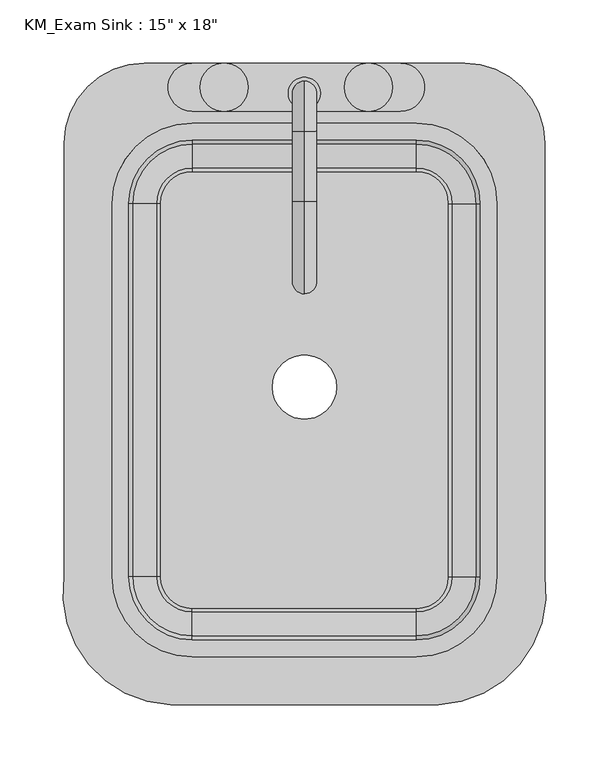
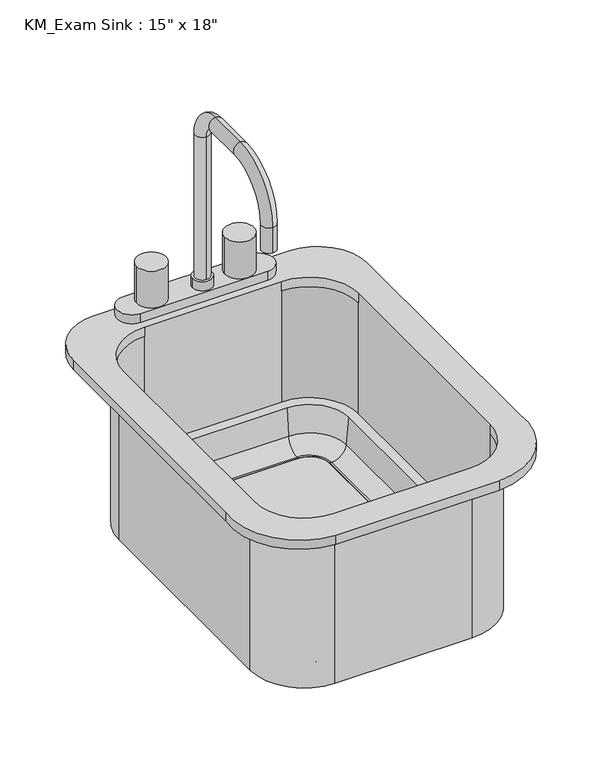
"""IFC4 building model written with IfcOpenShell, lengths in millimetres: flow terminal geometry."""

from ifc_helpers import new_model, si_unit, point, frame, frame_2d, origin, place, context, project, spatial, polyline, circle_curve, ellipse_curve, trimmed, segment, composite_curve, outline, extrude, source, transform, mapped, element, save
from ifc_brep_helpers import plane_surface, cylinder_surface, revolved_surface, advanced_brep


def flow_terminal_5d9b24d3(model_context):
    return source(origin(), model_context, "Body", "SolidModel", [
        advanced_brep(
        [(-90.4606923, -302.4545989, 876.3), (121.8391735, -302.4545989, 876.3), (206.1892406, -200.8545989, 876.3), (206.1892406, 142.0454011, 876.3), (142.6892406, 205.5454011, 876.3), (-111.3107593, 205.5454011, 876.3), (-174.8107593, 142.0454011, 876.3), (-174.8107593, -200.8545982, 876.3), (104.5892406, 157.9204011, 876.3), (168.0892406, 94.4204011, 876.3), (168.0892406, -200.8545989, 876.3), (104.5892406, -264.3545989, 876.3), (-73.2107594, -264.3545989, 876.3), (-136.7107594, -200.8545989, 876.3), (-136.7107594, 94.4204011, 876.3), (-73.2107594, 157.9204011, 876.3), (-90.4606923, -302.4545989, 863.6), (-174.8107593, -200.8545982, 863.6), (-174.8107593, 142.0454011, 863.6), (-111.3107593, 205.5454011, 863.6), (142.6892406, 205.5454011, 863.6), (206.1892406, 142.0454011, 863.6), (206.1892406, -200.8545989, 863.6), (121.8391735, -302.4545989, 863.6), (174.4392406, 94.4204011, 863.6), (104.5892406, 164.2704011, 863.6), (-73.2107594, 164.2704011, 863.6), (-143.0607594, 94.4204011, 863.6), (-143.0607594, -200.8545989, 863.6), (-73.2107594, -270.7045989, 863.6), (104.5892406, -270.7045989, 863.6), (174.4392406, -200.8545989, 863.6), (104.5892406, 157.9204011, 863.6), (168.0892406, 94.4204011, 863.6), (168.0892406, 94.4204011, 711.2), (168.0892406, -200.8545989, 711.2), (168.0892406, -200.8545989, 863.6), (104.5892406, -264.3545989, 863.6), (104.5892406, -264.3545989, 711.2), (-73.2107594, -264.3545989, 711.2), (-73.2107594, -264.3545989, 863.6), (-136.7107594, -200.8545989, 863.6), (-136.7107594, -200.8545989, 711.2), (-136.7107594, 94.4204011, 711.2), (-136.7107594, 94.4204011, 863.6), (-73.2107594, 157.9204011, 863.6), (-73.2107594, 157.9204011, 711.2), (104.5892406, 157.9204011, 711.2), (174.4392406, 94.4204011, 647.7), (104.5892406, 164.2704011, 647.7), (129.9892406, 94.4204011, 647.7), (104.5892406, 119.8204011, 647.7), (129.9892406, 94.4204011, 657.225), (104.5892406, 119.8204011, 657.225), (132.5776588, 94.4204011, 657.225), (104.5892406, 122.4088193, 657.225), (151.5551678, 94.4204011, 674.6146831), (104.5892406, 141.3863283, 674.6146831), (154.7559682, 94.4204011, 711.2), (104.5892406, 144.5871288, 711.2), (174.4392406, -200.8545989, 647.7), (129.9892406, -200.8545989, 647.7), (129.9892406, -200.8545989, 657.225), (132.5776588, -200.8545989, 657.225), (151.5551678, -200.8545989, 674.6146831), (154.7559682, -200.8545989, 711.2), (104.5892406, -270.7045989, 647.7), (104.5892406, -226.2545989, 647.7), (104.5892406, -226.2545989, 657.225), (104.5892406, -228.8430171, 657.225), (104.5892406, -247.8205261, 674.6146831), (104.5892406, -251.0213266, 711.2), (-73.2107594, -270.7045989, 647.7), (-73.2107594, -226.2545989, 647.7), (-73.2107594, -226.2545989, 657.225), (-73.2107594, -228.8430171, 657.225), (-73.2107594, -247.8205261, 674.6146831), (-73.2107594, -251.0213266, 711.2), (-143.0607594, -200.8545989, 647.7), (-98.6107594, -200.8545989, 647.7), (-98.6107594, -200.8545989, 657.225), (-101.1991776, -200.8545989, 657.225), (-120.1766866, -200.8545989, 674.6146831), (-123.3774871, -200.8545989, 711.2), (-143.0607594, 94.4204011, 647.7), (-98.6107594, 94.4204011, 647.7), (-98.6107594, 94.4204011, 657.225), (-101.1991776, 94.4204011, 657.225), (-120.1766866, 94.4204011, 674.6146831), (-123.3774871, 94.4204011, 711.2), (-73.2107594, 164.2704011, 647.7), (-73.2107594, 119.8204011, 647.7), (-73.2107594, 119.8204011, 657.225), (-73.2107594, 122.4088193, 657.225), (-73.2107594, 141.3863283, 674.6146831), (-73.2107594, 144.5871288, 711.2)],
        [
            (0, 1),
            (1, 2, circle_curve(frame((118.0319557, -213.4793432, 876.3), z_axis=(0.0, 0.0, 1.0), x_axis=(1.0, 0.0, 0.0)), 89.0566732)),
            (2, 3),
            (3, 4, circle_curve(frame((142.6892406, 142.0454011, 876.3), z_axis=(0.0, 0.0, 1.0), x_axis=(1.0, 0.0, 0.0)), 63.5)),
            (4, 5),
            (5, 6, circle_curve(frame((-111.3107593, 142.0454011, 876.3), z_axis=(0.0, 0.0, 1.0), x_axis=(1.0, 0.0, 0.0)), 63.5)),
            (6, 7),
            (7, 0, circle_curve(frame((-86.6534746, -213.4793432, 876.3), z_axis=(0.0, 0.0, 1.0), x_axis=(1.0, 0.0, 0.0)), 89.0566732)),
            (8, 9, circle_curve(frame((104.5892406, 94.4204011, 876.3), z_axis=(0.0, 0.0, -1.0), x_axis=(1.0, 0.0, 0.0)), 63.5)),
            (9, 10),
            (10, 11, circle_curve(frame((104.5892406, -200.8545989, 876.3), z_axis=(0.0, 0.0, -1.0), x_axis=(1.0, 0.0, 0.0)), 63.5)),
            (11, 12),
            (12, 13, circle_curve(frame((-73.2107594, -200.8545989, 876.3), z_axis=(0.0, 0.0, -1.0), x_axis=(1.0, 0.0, 0.0)), 63.5)),
            (13, 14),
            (14, 15, circle_curve(frame((-73.2107594, 94.4204011, 876.3), z_axis=(0.0, 0.0, -1.0), x_axis=(1.0, 0.0, 0.0)), 63.5)),
            (15, 8),
            (16, 17, circle_curve(frame((-86.6534746, -213.4793432, 863.6), z_axis=(0.0, 0.0, -1.0), x_axis=(1.0, 0.0, 0.0)), 89.0566732)),
            (17, 18),
            (18, 19, circle_curve(frame((-111.3107593, 142.0454011, 863.6), z_axis=(0.0, 0.0, -1.0), x_axis=(1.0, 0.0, 0.0)), 63.5)),
            (19, 20),
            (20, 21, circle_curve(frame((142.6892406, 142.0454011, 863.6), z_axis=(0.0, 0.0, -1.0), x_axis=(1.0, 0.0, 0.0)), 63.5)),
            (21, 22),
            (22, 23, circle_curve(frame((118.0319557, -213.4793432, 863.6), z_axis=(0.0, 0.0, -1.0), x_axis=(1.0, 0.0, 0.0)), 89.0566732)),
            (23, 16),
            (24, 25, circle_curve(frame((104.5892406, 94.4204011, 863.6), z_axis=(0.0, 0.0, 1.0), x_axis=(0.0, 1.0, 0.0)), 69.85)),
            (25, 26),
            (26, 27, circle_curve(frame((-73.2107594, 94.4204011, 863.6), z_axis=(0.0, 0.0, 1.0), x_axis=(-1.0, 0.0, 0.0)), 69.85)),
            (27, 28),
            (28, 29, circle_curve(frame((-73.2107594, -200.8545989, 863.6), z_axis=(0.0, 0.0, 1.0), x_axis=(0.0, -1.0, 0.0)), 69.85)),
            (29, 30),
            (30, 31, circle_curve(frame((104.5892406, -200.8545989, 863.6), z_axis=(0.0, 0.0, 1.0), x_axis=(1.0, 0.0, 0.0)), 69.85)),
            (31, 24),
            (0, 16),
            (23, 1),
            (22, 2),
            (21, 3),
            (20, 4),
            (19, 5),
            (18, 6),
            (17, 7),
            (8, 32),
            (32, 33, circle_curve(frame((104.5892406, 94.4204011, 863.6), z_axis=(0.0, 0.0, -1.0), x_axis=(1.0, 0.0, 0.0)), 63.5)),
            (33, 9),
            (33, 34),
            (34, 35),
            (35, 36),
            (36, 10),
            (36, 37, circle_curve(frame((104.5892406, -200.8545989, 863.6), z_axis=(0.0, 0.0, -1.0), x_axis=(1.0, 0.0, 0.0)), 63.5)),
            (37, 11),
            (37, 38),
            (38, 39),
            (39, 40),
            (40, 12),
            (40, 41, circle_curve(frame((-73.2107594, -200.8545989, 863.6), z_axis=(0.0, 0.0, -1.0), x_axis=(1.0, 0.0, 0.0)), 63.5)),
            (41, 13),
            (41, 42),
            (42, 43),
            (43, 44),
            (44, 14),
            (44, 45, circle_curve(frame((-73.2107594, 94.4204011, 863.6), z_axis=(0.0, 0.0, -1.0), x_axis=(1.0, 0.0, 0.0)), 63.5)),
            (45, 15),
            (45, 46),
            (46, 47),
            (47, 32),
            (48, 49, circle_curve(frame((104.5892406, 94.4204011, 647.7), z_axis=(0.0, 0.0, 1.0), x_axis=(0.0, 1.0, 0.0)), 69.85)),
            (49, 25),
            (24, 48),
            (48, 50),
            (50, 51, circle_curve(frame((104.5892406, 94.4204011, 647.7), z_axis=(0.0, 0.0, 1.0), x_axis=(0.0, 1.0, 0.0)), 25.4)),
            (51, 49),
            (50, 52),
            (52, 53, circle_curve(frame((104.5892406, 94.4204011, 657.225), z_axis=(0.0, 0.0, 1.0), x_axis=(0.0, 1.0, 0.0)), 25.4)),
            (53, 51),
            (52, 54),
            (54, 55, circle_curve(frame((104.5892406, 94.4204011, 657.225), z_axis=(0.0, 0.0, 1.0), x_axis=(0.0, 1.0, 0.0)), 27.9884182)),
            (55, 53),
            (54, 56, circle_curve(frame((132.5776588, 94.4204011, 676.275), z_axis=(0.0, -1.0, 0.0), x_axis=(1.0, 0.0, 0.0)), 19.05)),
            (56, 57, circle_curve(frame((104.5892406, 94.4204011, 674.6146831), z_axis=(0.0, 0.0, 1.0), x_axis=(0.0, 1.0, 0.0)), 46.9659272)),
            (57, 55, circle_curve(frame((104.5892406, 122.4088193, 676.275), z_axis=(-1.0, 0.0, 0.0), x_axis=(0.0, 1.0, 0.0)), 19.05)),
            (56, 58),
            (58, 59, circle_curve(frame((104.5892406, 94.4204011, 711.2), z_axis=(0.0, 0.0, 1.0), x_axis=(0.0, 1.0, 0.0)), 50.1667277)),
            (59, 57),
            (31, 60),
            (60, 48),
            (60, 61),
            (61, 50),
            (61, 62),
            (62, 52),
            (62, 63),
            (63, 54),
            (63, 64, circle_curve(frame((132.5776588, -200.8545989, 676.275), z_axis=(0.0, -1.0, 0.0), x_axis=(1.0, 0.0, 0.0)), 19.05)),
            (64, 56),
            (64, 65),
            (65, 58),
            (30, 66),
            (66, 60, circle_curve(frame((104.5892406, -200.8545989, 647.7), z_axis=(0.0, 0.0, 1.0), x_axis=(1.0, 0.0, 0.0)), 69.85)),
            (66, 67),
            (67, 61, circle_curve(frame((104.5892406, -200.8545989, 647.7), z_axis=(0.0, 0.0, 1.0), x_axis=(1.0, 0.0, 0.0)), 25.4)),
            (67, 68),
            (68, 62, circle_curve(frame((104.5892406, -200.8545989, 657.225), z_axis=(0.0, 0.0, 1.0), x_axis=(1.0, 0.0, 0.0)), 25.4)),
            (68, 69),
            (69, 63, circle_curve(frame((104.5892406, -200.8545989, 657.225), z_axis=(0.0, 0.0, 1.0), x_axis=(1.0, 0.0, 0.0)), 27.9884182)),
            (69, 70, circle_curve(frame((104.5892406, -228.8430171, 676.275), z_axis=(-1.0, 0.0, 0.0), x_axis=(0.0, -1.0, 0.0)), 19.05)),
            (70, 64, circle_curve(frame((104.5892406, -200.8545989, 674.6146831), z_axis=(0.0, 0.0, 1.0), x_axis=(1.0, 0.0, 0.0)), 46.9659272)),
            (70, 71),
            (71, 65, circle_curve(frame((104.5892406, -200.8545989, 711.2), z_axis=(0.0, 0.0, 1.0), x_axis=(1.0, 0.0, 0.0)), 50.1667277)),
            (29, 72),
            (72, 66),
            (72, 73),
            (73, 67),
            (73, 74),
            (74, 68),
            (74, 75),
            (75, 69),
            (75, 76, circle_curve(frame((-73.2107594, -228.8430171, 676.275), z_axis=(-1.0, 0.0, 0.0), x_axis=(0.0, -1.0, 0.0)), 19.05)),
            (76, 70),
            (76, 77),
            (77, 71),
            (28, 78),
            (78, 72, circle_curve(frame((-73.2107594, -200.8545989, 647.7), z_axis=(0.0, 0.0, 1.0), x_axis=(0.0, -1.0, 0.0)), 69.85)),
            (78, 79),
            (79, 73, circle_curve(frame((-73.2107594, -200.8545989, 647.7), z_axis=(0.0, 0.0, 1.0), x_axis=(0.0, -1.0, 0.0)), 25.4)),
            (79, 80),
            (80, 74, circle_curve(frame((-73.2107594, -200.8545989, 657.225), z_axis=(0.0, 0.0, 1.0), x_axis=(0.0, -1.0, 0.0)), 25.4)),
            (80, 81),
            (81, 75, circle_curve(frame((-73.2107594, -200.8545989, 657.225), z_axis=(0.0, 0.0, 1.0), x_axis=(0.0, -1.0, 0.0)), 27.9884182)),
            (81, 82, circle_curve(frame((-101.1991776, -200.8545989, 676.275), z_axis=(0.0, 1.0, 0.0), x_axis=(-1.0, 0.0, 0.0)), 19.05)),
            (82, 76, circle_curve(frame((-73.2107594, -200.8545989, 674.6146831), z_axis=(0.0, 0.0, 1.0), x_axis=(0.0, -1.0, 0.0)), 46.9659272)),
            (82, 83),
            (83, 77, circle_curve(frame((-73.2107594, -200.8545989, 711.2), z_axis=(0.0, 0.0, 1.0), x_axis=(0.0, -1.0, 0.0)), 50.1667277)),
            (27, 84),
            (84, 78),
            (84, 85),
            (85, 79),
            (85, 86),
            (86, 80),
            (86, 87),
            (87, 81),
            (87, 88, circle_curve(frame((-101.1991776, 94.4204011, 676.275), z_axis=(0.0, 1.0, 0.0), x_axis=(-1.0, 0.0, 0.0)), 19.05)),
            (88, 82),
            (88, 89),
            (89, 83),
            (26, 90),
            (90, 84, circle_curve(frame((-73.2107594, 94.4204011, 647.7), z_axis=(0.0, 0.0, 1.0), x_axis=(-1.0, 0.0, 0.0)), 69.85)),
            (90, 91),
            (91, 85, circle_curve(frame((-73.2107594, 94.4204011, 647.7), z_axis=(0.0, 0.0, 1.0), x_axis=(-1.0, 0.0, 0.0)), 25.4)),
            (91, 92),
            (92, 86, circle_curve(frame((-73.2107594, 94.4204011, 657.225), z_axis=(0.0, 0.0, 1.0), x_axis=(-1.0, 0.0, 0.0)), 25.4)),
            (92, 93),
            (93, 87, circle_curve(frame((-73.2107594, 94.4204011, 657.225), z_axis=(0.0, 0.0, 1.0), x_axis=(-1.0, 0.0, 0.0)), 27.9884182)),
            (93, 94, circle_curve(frame((-73.2107594, 122.4088193, 676.275), z_axis=(1.0, 0.0, 0.0), x_axis=(0.0, 1.0, 0.0)), 19.05)),
            (94, 88, circle_curve(frame((-73.2107594, 94.4204011, 674.6146831), z_axis=(0.0, 0.0, 1.0), x_axis=(-1.0, 0.0, 0.0)), 46.9659272)),
            (94, 95),
            (95, 89, circle_curve(frame((-73.2107594, 94.4204011, 711.2), z_axis=(0.0, 0.0, 1.0), x_axis=(-1.0, 0.0, 0.0)), 50.1667277)),
            (49, 90),
            (51, 91),
            (53, 92),
            (55, 93),
            (57, 94),
            (59, 95),
            (42, 39, circle_curve(frame((-73.2107594, -200.8545989, 711.2), z_axis=(0.0, 0.0, 1.0), x_axis=(0.0, -1.0, 0.0)), 63.5)),
            (38, 35, circle_curve(frame((104.5892406, -200.8545989, 711.2), z_axis=(0.0, 0.0, 1.0), x_axis=(0.0, -1.0, 0.0)), 63.5)),
            (34, 47, circle_curve(frame((104.5892406, 94.4204011, 711.2), z_axis=(0.0, 0.0, 1.0), x_axis=(0.0, -1.0, 0.0)), 63.5)),
            (46, 43, circle_curve(frame((-73.2107594, 94.4204011, 711.2), z_axis=(0.0, 0.0, 1.0), x_axis=(0.0, -1.0, 0.0)), 63.5)),
        ],
        [
            plane_surface(frame((121.8391735, -302.4545989, 876.3), z_axis=(0.0, 0.0, 1.0), x_axis=(1.0, 0.0, 0.0))),
            plane_surface(frame((121.8391735, -302.4545989, 863.6), z_axis=(0.0, 0.0, -1.0), x_axis=(-1.0, 0.0, 0.0))),
            plane_surface(frame((-90.4606923, -302.4545989, 876.3), z_axis=(0.0, -1.0, 0.0), x_axis=(0.0, 0.0, -1.0))),
            cylinder_surface(frame((118.0319557, -213.4793432, 863.6), z_axis=(0.0, 0.0, 1.0), x_axis=(1.0, 0.0, 0.0)), 89.0566732),
            plane_surface(frame((206.1892406, -200.8545989, 876.3), z_axis=(1.0, 0.0, 0.0), x_axis=(0.0, 0.0, -1.0))),
            cylinder_surface(frame((142.6892406, 142.0454011, 863.6), z_axis=(0.0, 0.0, 1.0), x_axis=(1.0, 0.0, 0.0)), 63.5),
            plane_surface(frame((142.6892406, 205.5454011, 876.3), z_axis=(0.0, 1.0, 0.0), x_axis=(0.0, 0.0, -1.0))),
            cylinder_surface(frame((-111.3107593, 142.0454011, 863.6), z_axis=(0.0, 0.0, 1.0), x_axis=(1.0, 0.0, 0.0)), 63.5),
            plane_surface(frame((-174.8107593, 142.0454011, 876.3), z_axis=(-1.0, 0.0, 0.0), x_axis=(0.0, 0.0, -1.0))),
            cylinder_surface(frame((-86.6534746, -213.4793432, 863.6), z_axis=(0.0, 0.0, 1.0), x_axis=(1.0, 0.0, 0.0)), 89.0566732),
            revolved_surface(polyline([(168.08924059999998, 94.4204011, 863.6), (168.08924059999998, 94.4204011, 876.3)]), (104.5892406, 94.4204011, 0.0), (0.0, 0.0, -1.0)),
            plane_surface(frame((168.0892406, 94.4204011, 876.3), z_axis=(-1.0, 0.0, 0.0), x_axis=(0.0, 0.0, -1.0))),
            revolved_surface(polyline([(168.08924059999998, -200.8545989, 863.6), (168.08924059999998, -200.8545989, 876.3)]), (104.5892406, -200.8545989, 0.0), (0.0, 0.0, -1.0)),
            plane_surface(frame((104.5892406, -264.3545989, 876.3), z_axis=(0.0, 1.0, 0.0), x_axis=(0.0, 0.0, -1.0))),
            revolved_surface(polyline([(-9.7107594, -200.8545989, 863.6), (-9.7107594, -200.8545989, 876.3)]), (-73.2107594, -200.8545989, 0.0), (0.0, 0.0, -1.0)),
            plane_surface(frame((-136.7107594, -200.8545989, 876.3), z_axis=(1.0, 0.0, 0.0), x_axis=(0.0, 0.0, -1.0))),
            revolved_surface(polyline([(-9.7107594, 94.4204011, 863.6), (-9.7107594, 94.4204011, 876.3)]), (-73.2107594, 94.4204011, 0.0), (0.0, 0.0, -1.0)),
            plane_surface(frame((-73.2107594, 157.9204011, 876.3), z_axis=(0.0, -1.0, 0.0), x_axis=(0.0, 0.0, -1.0))),
            cylinder_surface(frame((104.5892406, 94.4204011, 0.0), z_axis=(0.0, 0.0, -1.0), x_axis=(0.0, 1.0, 0.0)), 69.85),
            plane_surface(frame((104.5892406, 94.4204011, 647.7), z_axis=(0.0, 0.0, -1.0), x_axis=(0.0, 1.0, 0.0))),
            revolved_surface(polyline([(104.5892406, 119.8204011, 647.7), (104.5892406, 119.8204011, 657.225)]), (104.5892406, 94.4204011, 0.0), (0.0, 0.0, -1.0)),
            plane_surface(frame((104.5892406, 94.4204011, 657.225), z_axis=(0.0, 0.0, 1.0), x_axis=(0.0, 1.0, 0.0))),
            revolved_surface(trimmed(ellipse_curve(frame((104.5892406, 122.4088193, 676.275), z_axis=(1.0, 0.0, 0.0), x_axis=(0.0, 1.0, 0.0)), 19.05, 19.05), [point((104.5892406, 122.4088193, 657.225))], [point((104.5892406, 141.3863283, 674.6146831))], True, "CARTESIAN"), (104.5892406, 94.4204011, 0.0), (0.0, 0.0, -1.0)),
            revolved_surface(polyline([(104.5892406, 141.3863283, 674.6146831), (104.5892406, 157.9204011, 863.6)]), (104.5892406, 94.4204011, 0.0), (0.0, 0.0, -1.0)),
            plane_surface(frame((174.4392406, 94.4204011, 863.6), z_axis=(1.0, 0.0, 0.0), x_axis=(0.0, -1.0, 0.0))),
            plane_surface(frame((174.4392406, 94.4204011, 647.7), z_axis=(0.0, 0.0, -1.0), x_axis=(0.0, -1.0, 0.0))),
            plane_surface(frame((129.9892406, 94.4204011, 647.7), z_axis=(-1.0, 0.0, 0.0), x_axis=(0.0, -1.0, 0.0))),
            plane_surface(frame((129.9892406, 94.4204011, 657.225), z_axis=(0.0, 0.0, 1.0), x_axis=(0.0, -1.0, 0.0))),
            revolved_surface(polyline([(151.6276588, -200.85459890000004, 676.275), (151.6276588, 94.4204011, 676.275)]), (132.5776588, 94.4204011, 676.275), (0.0, -1.0, 0.0)),
            plane_surface(frame((151.5551678, 94.4204011, 674.6146831), z_axis=(-0.9961946980917442, 0.0, 0.08715574274767382), x_axis=(0.0, -1.0, 0.0))),
            cylinder_surface(frame((104.5892406, -200.8545989, 0.0), z_axis=(0.0, 0.0, -1.0), x_axis=(1.0, 0.0, 0.0)), 69.85),
            plane_surface(frame((104.5892406, -200.8545989, 647.7), z_axis=(0.0, 0.0, -1.0), x_axis=(1.0, 0.0, 0.0))),
            revolved_surface(polyline([(129.9892406, -200.8545989, 647.7), (129.9892406, -200.8545989, 657.225)]), (104.5892406, -200.8545989, 0.0), (0.0, 0.0, -1.0)),
            plane_surface(frame((104.5892406, -200.8545989, 657.225), z_axis=(0.0, 0.0, 1.0), x_axis=(1.0, 0.0, 0.0))),
            revolved_surface(trimmed(ellipse_curve(frame((132.5776588, -200.8545989, 676.275), z_axis=(0.0, -1.0, 0.0), x_axis=(1.0, 0.0, 0.0)), 19.05, 19.05), [point((132.5776588, -200.8545989, 657.225))], [point((151.5551678, -200.8545989, 674.6146831))], True, "CARTESIAN"), (104.5892406, -200.8545989, 0.0), (0.0, 0.0, -1.0)),
            revolved_surface(polyline([(151.5551678, -200.8545989, 674.6146831), (168.0892406, -200.8545989, 863.6)]), (104.5892406, -200.8545989, 0.0), (0.0, 0.0, -1.0)),
            plane_surface(frame((104.5892406, -270.7045989, 863.6), z_axis=(0.0, -1.0, 0.0), x_axis=(-1.0, 0.0, 0.0))),
            plane_surface(frame((104.5892406, -270.7045989, 647.7), z_axis=(0.0, 0.0, -1.0), x_axis=(-1.0, 0.0, 0.0))),
            plane_surface(frame((104.5892406, -226.2545989, 647.7), z_axis=(0.0, 1.0, 0.0), x_axis=(-1.0, 0.0, 0.0))),
            plane_surface(frame((104.5892406, -226.2545989, 657.225), z_axis=(0.0, 0.0, 1.0), x_axis=(-1.0, 0.0, 0.0))),
            revolved_surface(polyline([(-73.21075940000001, -247.8930171, 676.275), (104.5892406, -247.8930171, 676.275)]), (104.5892406, -228.8430171, 676.275), (-1.0, 0.0, 0.0)),
            plane_surface(frame((104.5892406, -247.8205261, 674.6146831), z_axis=(0.0, 0.9961946980917442, 0.08715574274767382), x_axis=(-1.0, 0.0, 0.0))),
            cylinder_surface(frame((-73.2107594, -200.8545989, 0.0), z_axis=(0.0, 0.0, -1.0), x_axis=(0.0, -1.0, 0.0)), 69.85),
            plane_surface(frame((-73.2107594, -200.8545989, 647.7), z_axis=(0.0, 0.0, -1.0), x_axis=(0.0, -1.0, 0.0))),
            revolved_surface(polyline([(-73.2107594, -226.25459890000002, 647.7), (-73.2107594, -226.25459890000002, 657.225)]), (-73.2107594, -200.8545989, 0.0), (0.0, 0.0, -1.0)),
            plane_surface(frame((-73.2107594, -200.8545989, 657.225), z_axis=(0.0, 0.0, 1.0), x_axis=(0.0, -1.0, 0.0))),
            revolved_surface(trimmed(ellipse_curve(frame((-73.2107594, -228.8430171, 676.275), z_axis=(-1.0, 0.0, 0.0), x_axis=(0.0, -1.0, 0.0)), 19.05, 19.05), [point((-73.2107594, -228.8430171, 657.225))], [point((-73.2107594, -247.8205261, 674.6146831))], True, "CARTESIAN"), (-73.2107594, -200.8545989, 0.0), (0.0, 0.0, -1.0)),
            revolved_surface(polyline([(-73.2107594, -247.8205261, 674.6146831), (-73.2107594, -264.3545989, 863.6)]), (-73.2107594, -200.8545989, 0.0), (0.0, 0.0, -1.0)),
            plane_surface(frame((-143.0607594, -200.8545989, 863.6), z_axis=(-1.0, 0.0, 0.0), x_axis=(0.0, 1.0, 0.0))),
            plane_surface(frame((-143.0607594, -200.8545989, 647.7), z_axis=(0.0, 0.0, -1.0), x_axis=(0.0, 1.0, 0.0))),
            plane_surface(frame((-98.6107594, -200.8545989, 647.7), z_axis=(1.0, 0.0, 0.0), x_axis=(0.0, 1.0, 0.0))),
            plane_surface(frame((-98.6107594, -200.8545989, 657.225), z_axis=(0.0, 0.0, 1.0), x_axis=(0.0, 1.0, 0.0))),
            revolved_surface(polyline([(-120.2491776, 94.42040110000002, 676.275), (-120.2491776, -200.8545989, 676.275)]), (-101.1991776, -200.8545989, 676.275), (0.0, 1.0, 0.0)),
            plane_surface(frame((-120.1766866, -200.8545989, 674.6146831), z_axis=(0.9961946980917442, 0.0, 0.08715574274767382), x_axis=(0.0, 1.0, 0.0))),
            cylinder_surface(frame((-73.2107594, 94.4204011, 0.0), z_axis=(0.0, 0.0, -1.0), x_axis=(-1.0, 0.0, 0.0)), 69.85),
            plane_surface(frame((-73.2107594, 94.4204011, 647.7), z_axis=(0.0, 0.0, -1.0), x_axis=(-1.0, 0.0, 0.0))),
            revolved_surface(polyline([(-98.6107594, 94.4204011, 647.7), (-98.6107594, 94.4204011, 657.225)]), (-73.2107594, 94.4204011, 0.0), (0.0, 0.0, -1.0)),
            plane_surface(frame((-73.2107594, 94.4204011, 657.225), z_axis=(0.0, 0.0, 1.0), x_axis=(-1.0, 0.0, 0.0))),
            revolved_surface(trimmed(ellipse_curve(frame((-101.1991776, 94.4204011, 676.275), z_axis=(0.0, 1.0, 0.0), x_axis=(-1.0, 0.0, 0.0)), 19.05, 19.05), [point((-101.1991776, 94.4204011, 657.225))], [point((-120.1766866, 94.4204011, 674.6146831))], True, "CARTESIAN"), (-73.2107594, 94.4204011, 0.0), (0.0, 0.0, -1.0)),
            revolved_surface(polyline([(-120.1766866, 94.4204011, 674.6146831), (-136.7107594, 94.4204011, 863.6)]), (-73.2107594, 94.4204011, 0.0), (0.0, 0.0, -1.0)),
            plane_surface(frame((-73.2107594, 164.2704011, 863.6), z_axis=(0.0, 1.0, 0.0), x_axis=(1.0, 0.0, 0.0))),
            plane_surface(frame((-73.2107594, 164.2704011, 647.7), z_axis=(0.0, 0.0, -1.0), x_axis=(1.0, 0.0, 0.0))),
            plane_surface(frame((-73.2107594, 119.8204011, 647.7), z_axis=(0.0, -1.0, 0.0), x_axis=(1.0, 0.0, 0.0))),
            plane_surface(frame((-73.2107594, 119.8204011, 657.225), z_axis=(0.0, 0.0, 1.0), x_axis=(1.0, 0.0, 0.0))),
            revolved_surface(polyline([(104.58924060000001, 141.45881930000002, 676.275), (-73.2107594, 141.45881930000002, 676.275)]), (-73.2107594, 122.4088193, 676.275), (1.0, 0.0, 0.0)),
            plane_surface(frame((-73.2107594, 141.3863283, 674.6146831), z_axis=(0.0, -0.9961946980917442, 0.08715574274767382), x_axis=(1.0, 0.0, 0.0))),
            plane_surface(frame((-73.2107594, -264.3545989, 711.2), z_axis=(0.0, 0.0, 1.0), x_axis=(-1.0, 0.0, 0.0))),
            revolved_surface(polyline([(-73.2107594, -264.35459890000004, 863.6), (-73.2107594, -264.35459890000004, 711.2)]), (-73.2107594, -200.8545989, 711.2), (0.0, 0.0, 1.0)),
            revolved_surface(polyline([(104.5892406, -264.35459890000004, 863.6), (104.5892406, -264.35459890000004, 711.2)]), (104.5892406, -200.8545989, 711.2), (0.0, 0.0, 1.0)),
            revolved_surface(polyline([(104.5892406, 30.920401100000007, 863.6), (104.5892406, 30.920401100000007, 711.2)]), (104.5892406, 94.4204011, 711.2), (0.0, 0.0, 1.0)),
            revolved_surface(polyline([(-73.2107594, 30.920401100000007, 863.6), (-73.2107594, 30.920401100000007, 711.2)]), (-73.2107594, 94.4204011, 711.2), (0.0, 0.0, 1.0)),
        ],
        [
            (0, [[1, 2, 3, 4, 5, 6, 7, 8], [9, 10, 11, 12, 13, 14, 15, 16]]),
            (1, [[17, 18, 19, 20, 21, 22, 23, 24], [25, 26, 27, 28, 29, 30, 31, 32]]),
            (2, [[-1, 33, -24, 34]]),
            (3, [[-2, -34, -23, 35]]),
            (4, [[-3, -35, -22, 36]]),
            (5, [[-4, -36, -21, 37]]),
            (6, [[-5, -37, -20, 38]]),
            (7, [[-6, -38, -19, 39]]),
            (8, [[-7, -39, -18, 40]]),
            (9, [[-8, -40, -17, -33]]),
            (10, [[-9, 41, 42, 43]]),
            (11, [[-10, -43, 44, 45, 46, 47]]),
            (12, [[-11, -47, 48, 49]]),
            (13, [[-12, -49, 50, 51, 52, 53]]),
            (14, [[-13, -53, 54, 55]]),
            (15, [[-14, -55, 56, 57, 58, 59]]),
            (16, [[-15, -59, 60, 61]]),
            (17, [[-16, -61, 62, 63, 64, -41]]),
            (18, [[65, 66, -25, 67]]),
            (19, [[-65, 68, 69, 70]]),
            (20, [[-69, 71, 72, 73]]),
            (21, [[-72, 74, 75, 76]]),
            (22, [[-75, 77, 78, 79]]),
            (23, [[-78, 80, 81, 82]]),
            (24, [[-67, -32, 83, 84]]),
            (25, [[-68, -84, 85, 86]]),
            (26, [[-71, -86, 87, 88]]),
            (27, [[-74, -88, 89, 90]]),
            (28, [[-77, -90, 91, 92]]),
            (29, [[-92, 93, 94, -80]]),
            (30, [[-83, -31, 95, 96]]),
            (31, [[-85, -96, 97, 98]]),
            (32, [[-87, -98, 99, 100]]),
            (33, [[-89, -100, 101, 102]]),
            (34, [[-91, -102, 103, 104]]),
            (35, [[-104, 105, 106, -93]]),
            (36, [[-95, -30, 107, 108]]),
            (37, [[-97, -108, 109, 110]]),
            (38, [[-99, -110, 111, 112]]),
            (39, [[-101, -112, 113, 114]]),
            (40, [[-103, -114, 115, 116]]),
            (41, [[-116, 117, 118, -105]]),
            (42, [[-107, -29, 119, 120]]),
            (43, [[-109, -120, 121, 122]]),
            (44, [[-111, -122, 123, 124]]),
            (45, [[-113, -124, 125, 126]]),
            (46, [[-115, -126, 127, 128]]),
            (47, [[-128, 129, 130, -117]]),
            (48, [[-119, -28, 131, 132]]),
            (49, [[-121, -132, 133, 134]]),
            (50, [[-123, -134, 135, 136]]),
            (51, [[-125, -136, 137, 138]]),
            (52, [[-127, -138, 139, 140]]),
            (53, [[-140, 141, 142, -129]]),
            (54, [[-131, -27, 143, 144]]),
            (55, [[-133, -144, 145, 146]]),
            (56, [[-135, -146, 147, 148]]),
            (57, [[-137, -148, 149, 150]]),
            (58, [[-139, -150, 151, 152]]),
            (59, [[-152, 153, 154, -141]]),
            (60, [[-66, 155, -143, -26]]),
            (61, [[-70, 156, -145, -155]]),
            (62, [[-73, 157, -147, -156]]),
            (63, [[-76, 158, -149, -157]]),
            (64, [[-79, 159, -151, -158]]),
            (65, [[-159, -82, 160, -153]]),
            (66, [[161, -51, 162, -45, 163, -63, 164, -57], [-81, -94, -106, -118, -130, -142, -154, -160]]),
            (67, [[-161, -56, -54, -52]]),
            (68, [[-162, -50, -48, -46]]),
            (69, [[-163, -44, -42, -64]]),
            (70, [[-164, -62, -60, -58]]),
        ],
    ),
        advanced_brep(
        [(91.8892406, 205.5454011, 876.3), (91.8892406, 167.4454011, 876.3), (-73.2107594, 167.4454011, 876.3), (-73.2107594, 205.5454011, 876.3), (15.6892406, 191.2579011, 1096.9625), (15.6892406, 172.2079011, 1096.9625), (15.6892406, 172.2079011, 901.7), (15.6892406, 191.2579011, 901.7), (15.6892406, 151.5704011, 1136.65), (15.6892406, 151.5704011, 1117.6), (15.6892406, 96.0079011, 1136.65), (15.6892406, 96.0079011, 1117.6), (15.6892406, 22.9829011, 1063.625), (15.6892406, 42.0329011, 1063.625), (15.6892406, 22.9829011, 1028.7), (15.6892406, 42.0329011, 1028.7), (2.9892406, 181.7329011, 901.7), (28.3892406, 181.7329011, 901.7), (2.9892406, 181.7329011, 889.0), (28.3892406, 181.7329011, 889.0), (91.8892406, 205.5454011, 889.0), (-73.2107594, 205.5454011, 889.0), (-73.2107594, 167.4454011, 889.0), (91.8892406, 167.4454011, 889.0)],
        [
            (0, 1, circle_curve(frame((91.8892406, 186.4954011, 876.3), z_axis=(0.0, 0.0, -1.0), x_axis=(1.0, 0.0, 0.0)), 19.05)),
            (1, 2),
            (2, 3, circle_curve(frame((-73.2107594, 186.4954011, 876.3), z_axis=(0.0, 0.0, -1.0), x_axis=(1.0, 0.0, 0.0)), 19.05)),
            (3, 0),
            (4, 5, circle_curve(frame((15.6892406, 181.7329011, 1096.9625), z_axis=(0.0, 0.0, -1.0), x_axis=(0.0, -1.0, 0.0)), 9.525)),
            (5, 6),
            (6, 7, circle_curve(frame((15.6892406, 181.7329011, 901.7), z_axis=(0.0, 0.0, 1.0), x_axis=(0.0, -1.0, 0.0)), 9.525)),
            (7, 4),
            (5, 4, circle_curve(frame((15.6892406, 181.7329011, 1096.9625), z_axis=(0.0, 0.0, -1.0), x_axis=(0.0, -1.0, 0.0)), 9.525)),
            (7, 6, circle_curve(frame((15.6892406, 181.7329011, 901.7), z_axis=(0.0, 0.0, 1.0), x_axis=(0.0, -1.0, 0.0)), 9.525)),
            (4, 8, circle_curve(frame((15.6892406, 151.5704011, 1096.9625), z_axis=(1.0, 0.0, 0.0), x_axis=(0.0, 1.0, 0.0)), 39.6875)),
            (8, 9, circle_curve(frame((15.6892406, 151.5704011, 1127.125), z_axis=(0.0, 1.0, 0.0), x_axis=(0.0, 0.0, -1.0)), 9.525)),
            (9, 5, circle_curve(frame((15.6892406, 151.5704011, 1096.9625), z_axis=(-1.0, 0.0, 0.0), x_axis=(0.0, 1.0, 0.0)), 20.6375)),
            (9, 8, circle_curve(frame((15.6892406, 151.5704011, 1127.125), z_axis=(0.0, 1.0, 0.0), x_axis=(0.0, 0.0, -1.0)), 9.525)),
            (8, 10),
            (10, 11, circle_curve(frame((15.6892406, 96.0079011, 1127.125), z_axis=(0.0, 1.0, 0.0), x_axis=(0.0, 0.0, -1.0)), 9.525)),
            (11, 9),
            (11, 10, circle_curve(frame((15.6892406, 96.0079011, 1127.125), z_axis=(0.0, 1.0, 0.0), x_axis=(0.0, 0.0, -1.0)), 9.525)),
            (10, 12, circle_curve(frame((15.6892406, 96.0079011, 1063.625), z_axis=(1.0, 0.0, 0.0), x_axis=(0.0, 0.0, 1.0)), 73.025)),
            (12, 13, circle_curve(frame((15.6892406, 32.5079011, 1063.625), z_axis=(0.0, 0.0, 1.0), x_axis=(0.0, 1.0, 0.0)), 9.525)),
            (13, 11, circle_curve(frame((15.6892406, 96.0079011, 1063.625), z_axis=(-1.0, 0.0, 0.0), x_axis=(0.0, 0.0, 1.0)), 53.975)),
            (13, 12, circle_curve(frame((15.6892406, 32.5079011, 1063.625), z_axis=(0.0, 0.0, 1.0), x_axis=(0.0, 1.0, 0.0)), 9.525)),
            (14, 15, circle_curve(frame((15.6892406, 32.5079011, 1028.7), z_axis=(0.0, 0.0, -1.0), x_axis=(0.0, 1.0, 0.0)), 9.525)),
            (15, 14, circle_curve(frame((15.6892406, 32.5079011, 1028.7), z_axis=(0.0, 0.0, -1.0), x_axis=(0.0, 1.0, 0.0)), 9.525)),
            (12, 14),
            (15, 13),
            (16, 17, circle_curve(frame((15.6892406, 181.7329011, 901.7), z_axis=(0.0, 0.0, 1.0), x_axis=(1.0, 0.0, 0.0)), 12.7)),
            (17, 16, circle_curve(frame((15.6892406, 181.7329011, 901.7), z_axis=(0.0, 0.0, 1.0), x_axis=(1.0, 0.0, 0.0)), 12.7)),
            (16, 18),
            (18, 19, circle_curve(frame((15.6892406, 181.7329011, 889.0), z_axis=(0.0, 0.0, 1.0), x_axis=(1.0, 0.0, 0.0)), 12.7)),
            (19, 17),
            (19, 18, circle_curve(frame((15.6892406, 181.7329011, 889.0), z_axis=(0.0, 0.0, 1.0), x_axis=(1.0, 0.0, 0.0)), 12.7)),
            (20, 21),
            (21, 22, circle_curve(frame((-73.2107594, 186.4954011, 889.0), z_axis=(0.0, 0.0, 1.0), x_axis=(1.0, 0.0, 0.0)), 19.05)),
            (22, 23),
            (23, 20, circle_curve(frame((91.8892406, 186.4954011, 889.0), z_axis=(0.0, 0.0, 1.0), x_axis=(1.0, 0.0, 0.0)), 19.05)),
            (20, 0),
            (3, 21),
            (2, 22),
            (1, 23),
        ],
        [
            plane_surface(frame((15.6892406, 172.2079011, 876.3), z_axis=(0.0, 0.0, -1.0), x_axis=(1.0, 0.0, 0.0))),
            cylinder_surface(frame((15.6892406, 181.7329011, 876.3), z_axis=(0.0, 0.0, -1.0), x_axis=(0.0, -1.0, 0.0)), 9.525),
            revolved_surface(trimmed(ellipse_curve(frame((15.6892406, 181.7329011, 1096.9625), z_axis=(0.0, 0.0, -1.0), x_axis=(0.0, -1.0, 0.0)), 9.525, 9.525), [point((15.6892406, 191.2579011, 1096.9625))], [point((15.6892406, 172.2079011, 1096.9625))], True, "CARTESIAN"), (15.6892406, 151.5704011, 1096.9625), (1.0, 0.0, 0.0)),
            revolved_surface(trimmed(ellipse_curve(frame((15.6892406, 181.7329011, 1096.9625), z_axis=(0.0, 0.0, -1.0), x_axis=(0.0, -1.0, 0.0)), 9.525, 9.525), [point((15.6892406, 172.2079011, 1096.9625))], [point((15.6892406, 191.2579011, 1096.9625))], True, "CARTESIAN"), (15.6892406, 151.5704011, 1096.9625), (1.0, 0.0, 0.0)),
            cylinder_surface(frame((15.6892406, 151.5704011, 1127.125), z_axis=(0.0, 1.0, 0.0), x_axis=(0.0, 0.0, -1.0)), 9.525),
            revolved_surface(trimmed(ellipse_curve(frame((15.6892406, 96.0079011, 1127.125), z_axis=(0.0, 1.0, 0.0), x_axis=(0.0, 0.0, -1.0)), 9.525, 9.525), [point((15.6892406, 96.0079011, 1136.65))], [point((15.6892406, 96.0079011, 1117.6))], True, "CARTESIAN"), (15.6892406, 96.0079011, 1063.625), (1.0, 0.0, 0.0)),
            revolved_surface(trimmed(ellipse_curve(frame((15.6892406, 96.0079011, 1127.125), z_axis=(0.0, 1.0, 0.0), x_axis=(0.0, 0.0, -1.0)), 9.525, 9.525), [point((15.6892406, 96.0079011, 1117.6))], [point((15.6892406, 96.0079011, 1136.65))], True, "CARTESIAN"), (15.6892406, 96.0079011, 1063.625), (1.0, 0.0, 0.0)),
            plane_surface(frame((15.6892406, 22.9829011, 1028.7), z_axis=(0.0, 0.0, -1.0), x_axis=(-1.0, 0.0, 0.0))),
            cylinder_surface(frame((15.6892406, 32.5079011, 1063.625), z_axis=(0.0, 0.0, 1.0), x_axis=(0.0, 1.0, 0.0)), 9.525),
            plane_surface(frame((28.3892406, 181.7329011, 901.7), z_axis=(0.0, 0.0, 1.0), x_axis=(0.0, 1.0, 0.0))),
            cylinder_surface(frame((15.6892406, 181.7329011, 889.0), z_axis=(0.0, 0.0, 1.0), x_axis=(1.0, 0.0, 0.0)), 12.7),
            plane_surface(frame((-73.2107594, 205.5454011, 889.0), z_axis=(0.0, 0.0, 1.0), x_axis=(-1.0, 0.0, 0.0))),
            plane_surface(frame((91.8892406, 205.5454011, 889.0), z_axis=(0.0, 1.0, 0.0), x_axis=(0.0, 0.0, -1.0))),
            cylinder_surface(frame((-73.2107594, 186.4954011, 876.3), z_axis=(0.0, 0.0, 1.0), x_axis=(1.0, 0.0, 0.0)), 19.05),
            plane_surface(frame((-73.2107594, 167.4454011, 889.0), z_axis=(0.0, -1.0, 0.0), x_axis=(0.0, 0.0, -1.0))),
            cylinder_surface(frame((91.8892406, 186.4954011, 876.3), z_axis=(0.0, 0.0, 1.0), x_axis=(1.0, 0.0, 0.0)), 19.05),
        ],
        [
            (0, [[1, 2, 3, 4]]),
            (1, [[5, 6, 7, 8]]),
            (1, [[9, -8, 10, -6]]),
            (2, [[-5, 11, 12, 13]]),
            (3, [[-9, -13, 14, -11]]),
            (4, [[-12, 15, 16, 17]]),
            (4, [[-14, -17, 18, -15]]),
            (5, [[-16, 19, 20, 21]]),
            (6, [[-18, -21, 22, -19]]),
            (7, [[23, 24]]),
            (8, [[-20, 25, -24, 26]]),
            (8, [[-22, -26, -23, -25]]),
            (9, [[27, 28], [-7, -10]]),
            (10, [[-27, 29, 30, 31]]),
            (10, [[-28, -31, 32, -29]]),
            (11, [[33, 34, 35, 36], [-30, -32]]),
            (12, [[-33, 37, -4, 38]]),
            (13, [[-34, -38, -3, 39]]),
            (14, [[-35, -39, -2, 40]]),
            (15, [[-36, -40, -1, -37]]),
        ],
    ),
        extrude(outline(composite_curve([segment(trimmed(circle_curve(frame_2d((-47.8107594, 186.4954011)), 19.05), [point((-66.8607594, 186.4954011))], [point((-28.7607594, 186.4954011))], False, "CARTESIAN"), True, "CONTINUOUS"), segment(trimmed(circle_curve(frame_2d((-47.8107594, 186.4954011)), 19.05), [point((-28.7607594, 186.4954011))], [point((-66.8607594, 186.4954011))], False, "CARTESIAN"), True, "CONTINUOUS")], self_intersect=False)), frame((0.0, 0.0, 889.0), z_axis=(0.0, 0.0, 1.0), x_axis=(1.0, 0.0, 0.0)), (0.0, 0.0, 1.0), 50.8),
        extrude(outline(composite_curve([segment(trimmed(circle_curve(frame_2d((66.4892406, 186.4954011)), 19.05), [point((47.4392406, 186.4954011))], [point((85.5392406, 186.4954011))], False, "CARTESIAN"), True, "CONTINUOUS"), segment(trimmed(circle_curve(frame_2d((66.4892406, 186.4954011)), 19.05), [point((85.5392406, 186.4954011))], [point((47.4392406, 186.4954011))], False, "CARTESIAN"), True, "CONTINUOUS")], self_intersect=False)), frame((0.0, 0.0, 889.0), z_axis=(0.0, 0.0, 1.0), x_axis=(1.0, 0.0, 0.0)), (0.0, 0.0, 1.0), 50.8),
        extrude(outline(composite_curve([segment(trimmed(circle_curve(frame_2d((104.5892406, 94.4204011)), 25.4), [point((104.5892406, 119.8204011))], [point((129.9892406, 94.4204011))], False, "CARTESIAN"), True, "CONTINUOUS"), segment(polyline([(129.9892406, 94.4204011), (129.9892406, -200.8545989)]), True, "CONTINUOUS"), segment(trimmed(circle_curve(frame_2d((104.5892406, -200.8545989)), 25.4), [point((129.9892406, -200.8545989))], [point((104.5892406, -226.2545989))], False, "CARTESIAN"), True, "CONTINUOUS"), segment(polyline([(104.5892406, -226.2545989), (-73.2107594, -226.2545989)]), True, "CONTINUOUS"), segment(trimmed(circle_curve(frame_2d((-73.2107594, -200.8545989)), 25.4), [point((-73.2107594, -226.2545989))], [point((-98.6107594, -200.8545989))], False, "CARTESIAN"), True, "CONTINUOUS"), segment(polyline([(-98.6107594, -200.8545989), (-98.6107594, 94.4204011)]), True, "CONTINUOUS"), segment(trimmed(circle_curve(frame_2d((-73.2107594, 94.4204011)), 25.4), [point((-98.6107594, 94.4204011))], [point((-73.2107594, 119.8204011))], False, "CARTESIAN"), True, "CONTINUOUS"), segment(polyline([(-73.2107594, 119.8204011), (104.5892406, 119.8204011)]), True, "CONTINUOUS")], self_intersect=False), holes=[composite_curve([segment(trimmed(circle_curve(frame_2d((15.6892406, -50.8)), 25.4), [point((-9.7107594, -50.8))], [point((41.0892406, -50.8))], True, "CARTESIAN"), True, "CONTINUOUS"), segment(trimmed(circle_curve(frame_2d((15.6892406, -50.8)), 25.4), [point((41.0892406, -50.8))], [point((-9.7107594, -50.8))], True, "CARTESIAN"), True, "CONTINUOUS")], self_intersect=False)]), frame((0.0, 0.0, 647.7), z_axis=(0.0, 0.0, 1.0), x_axis=(1.0, 0.0, 0.0)), (0.0, 0.0, 1.0), 9.525),
    ])


if __name__ == "__main__":
    model = new_model("IFC4")
    model_context = context("Model", 3, world=origin())
    ifc_project = project(units=[si_unit("LENGTHUNIT", "METRE", prefix="MILLI")], contexts=[model_context])
    site = spatial("IfcSite", under=ifc_project)
    building = spatial("IfcBuilding", under=site)
    placement = place(None, origin())
    flow_terminal_shape = flow_terminal_5d9b24d3(model_context)
    element("IfcFlowTerminal", 1, ObjectType="KM_Exam Sink : 15\" x 18\"", at=placement, inside=building, context=model_context, shape_type="MappedRepresentation", body=[
        mapped(flow_terminal_shape, transform((0.0, 0.0, 0.0), x_axis=(1.0, 0.0, 0.0), y_axis=(0.0, 1.0, 0.0), z_axis=(0.0, 0.0, 1.0))),
    ])
    save(model, "model.ifc")
